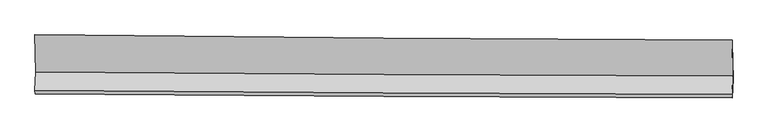
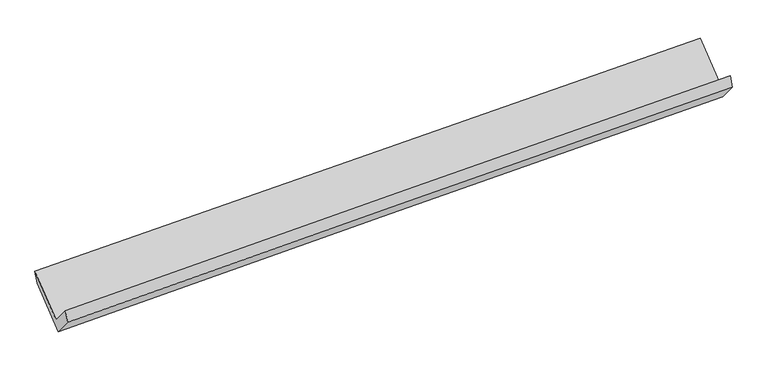
"""IFC4 building model written with IfcOpenShell, lengths in millimetres: proxy geometry."""

from ifc_helpers import new_model, si_unit, frame, origin, place, context, project, spatial, source, transform, mapped, element, save
from ifc_brep_helpers import plane_surface, spline_curve, spline_surface, advanced_brep


def generic_models_5d9fcdb4(model_context):
    return source(origin(), model_context, "Body", "AdvancedBrep", [
        advanced_brep(
        [(-4778.4171501, -1683.303464, 1662.0733476), (-4788.4928086, -1933.6303861, 1959.732823), (4764.8144622, -1989.1363287, 2229.8936807), (4774.8901207, -1738.8094067, 1932.2342053), (-4784.396272, -1982.143377, 1810.400525), (4768.9109988, -2037.6493196, 2080.5613827), (-4774.3163837, -1731.7113678, 1512.6160922), (4779.2498627, -1780.783133, 1775.1261792), (-4784.0983404, -1218.2445357, 1944.1024805), (4769.7595721, -1282.6262106, 2193.7470478), (-4788.190562, -1170.2851555, 2093.1828238), (4765.4083748, -1241.1010079, 2350.4781619)],
        [
            (0, 1),
            (1, 2, spline_curve(3, [(-4788.4928086, -1933.6303861, 1959.732823), (-3197.537521769, -1946.189332396, 2012.819501369), (-1606.456566212, -1957.092415667, 2061.864516858), (1577.97887103, -1975.598608392, 2151.928415191), (3171.333672865, -1983.197505828, 2192.937019025), (4764.8144622, -1989.1363287, 2229.8936807)], [4, 2, 4], [0.0, 15.668079194565818, 31.356070215631348])),
            (2, 3),
            (3, 0, spline_curve(3, [(4774.8901207, -1738.8094067, 1932.2342053), (3181.409331365, -1732.870583828, 1895.277543625), (1588.05452953, -1725.271686292, 1854.268939791), (-1596.380907712, -1706.765493567, 1764.205041458), (-3187.461863269, -1695.862410296, 1715.160025969), (-4778.4171501, -1683.303464, 1662.0733476)], [4, 2, 4], [0.0, 15.68799102106553, 31.356070215631348])),
            (1, 4),
            (4, 5, spline_curve(3, [(-4784.396272, -1982.143377, 1810.400525), (-3193.440985169, -1994.702323296, 1863.487203369), (-1602.360029612, -2005.605406567, 1912.532218858), (1582.07540763, -2024.111599292, 2002.596117191), (3175.430209465, -2031.710496728, 2043.604721025), (4768.9109988, -2037.6493196, 2080.5613827)], [4, 2, 4], [0.0, 15.668079194565822, 31.356070215631355])),
            (5, 2),
            (4, 6),
            (6, 7, spline_curve(3, [(-4774.3163837, -1731.7113678, 1512.6160922), (-3183.231636178, -1741.053906738, 1561.878194844), (-1592.064355697, -1749.812264209, 1608.372953498), (1592.457516404, -1766.171004768, 1695.883354222), (3185.812318127, -1773.76990237, 1736.89195775), (4779.2498627, -1780.783133, 1775.1261792)], [4, 2, 4], [0.0, 15.668062850634108, 31.356037506997193])),
            (7, 5),
            (6, 8),
            (8, 9, spline_curve(3, [(-4784.0983404, -1218.2445357, 1944.1024805), (-3192.867791069, -1235.240408974, 1986.933185017), (-1601.6032884, -1249.102069547, 2029.139437018), (1583.015929723, -1270.570599464, 2112.35588114), (3176.370731248, -1278.169497021, 2153.364484563), (4769.7595721, -1282.6262106, 2193.7470478)], [4, 2, 4], [0.0, 15.668072061286015, 31.356055940006392])),
            (9, 7),
            (8, 10),
            (10, 11, spline_curve(3, [(-4788.190562, -1170.2851555, 2093.1828238), (-3197.089472995, -1190.497436343, 2139.838103628), (-1605.91129532, -1206.503822905, 2184.594612808), (1578.621487355, -1230.119804187, 2270.364554879), (3171.976289094, -1237.71870156, 2311.373158215), (4765.4083748, -1241.1010079, 2350.4781619)], [4, 2, 4], [0.0, 15.668132735362907, 31.35617736526801])),
            (11, 9),
            (10, 0),
            (3, 11),
        ],
        [
            spline_surface(3, 3, [[(-4778.4171501, -1683.303464, 1662.0733476), (-3187.461863137, -1695.862410457, 1715.16002585), (-1596.380907742, -1706.765493791, 1764.205041385), (1588.05452956, -1725.271686067, 1854.268939864), (3181.409331131, -1732.870583664, 1895.277543563), (4774.8901207, -1738.8094067, 1932.2342053)], [(-4781.775702938, -1766.745771341, 1761.293172731), (-3190.820415976, -1779.304717798, 1814.37985098), (-1599.73946058, -1790.207801131, 1863.424866516), (1584.695976722, -1808.713993408, 1953.488764995), (3178.050778293, -1816.312891005, 1994.497368694), (4771.531567862, -1822.251714041, 2031.454030431)], [(-4785.134255762, -1850.188078759, 1860.512997869), (-3194.178968799, -1862.747025217, 1913.599676119), (-1603.098013404, -1873.65010855, 1962.644691654), (1581.337423898, -1892.156300827, 2052.708590133), (3174.692225469, -1899.755198324, 2093.717193833), (4768.173015038, -1905.694021359, 2130.673855569)], [(-4788.4928086, -1933.6303861, 1959.732823), (-3197.537521637, -1946.189332557, 2012.81950125), (-1606.456566242, -1957.092415891, 2061.864516785), (1577.97887106, -1975.598608167, 2151.928415264), (3171.333672631, -1983.197505664, 2192.937018963), (4764.8144622, -1989.1363287, 2229.8936807)]], [4, 4], [4, 2, 4], [0.0, 1.2764375252674067], [0.0, 15.668079194565818, 31.356070215631348]),
            spline_surface(3, 3, [[(-4788.4928086, -1933.6303861, 1959.732823), (-3197.537521637, -1946.189332557, 2012.81950125), (-1606.456566242, -1957.092415891, 2061.864516785), (1577.97887106, -1975.598608167, 2151.928415264), (3171.333672631, -1983.197505664, 2192.937018963), (4764.8144622, -1989.1363287, 2229.8936807)], [(-4787.127296392, -1949.801383071, 1909.955390341), (-3196.17200943, -1962.360329528, 1963.042068591), (-1605.091054034, -1973.263412861, 2012.087084126), (1579.344383268, -1991.769605138, 2102.150982605), (3172.699184838, -1999.368502635, 2143.159586305), (4766.179974408, -2005.307325671, 2180.116248041)], [(-4785.761784208, -1965.972380029, 1860.177957659), (-3194.806497245, -1978.531326487, 1913.264635909), (-1603.72554185, -1989.43440982, 1962.309651444), (1580.709895452, -2007.940602097, 2052.373549923), (3174.064697023, -2015.539499594, 2093.382153622), (4767.545486592, -2021.478322629, 2130.338815359)], [(-4784.396272, -1982.143377, 1810.400525), (-3193.440985037, -1994.702323457, 1863.48720325), (-1602.360029642, -2005.605406791, 1912.532218785), (1582.07540766, -2024.111599067, 2002.596117264), (3175.430209231, -2031.710496564, 2043.604720963), (4768.9109988, -2037.6493196, 2080.5613827)]], [4, 4], [4, 2, 4], [0.0, 0.5153156968743909], [0.0, 15.668079194565822, 31.356070215631355]),
            spline_surface(3, 3, [[(-4784.396272, -1982.143377, 1810.400525), (-3193.440985037, -1994.702323457, 1863.48720325), (-1602.360029642, -2005.605406791, 1912.532218785), (1582.07540766, -2024.111599067, 2002.596117264), (3175.430209231, -2031.710496564, 2043.604720963), (4768.9109988, -2037.6493196, 2080.5613827)], [(-4781.036309243, -1898.666040605, 1711.139047418), (-3190.03786881, -1910.152851148, 1762.950867129), (-1598.928138343, -1920.341025877, 1811.145797031), (1585.536110599, -1938.131401006, 1900.358529543), (3178.890912169, -1945.730298503, 1941.367133242), (4772.357286771, -1952.027257392, 1978.749648217)], [(-4777.676346457, -1815.188704195, 1611.877569782), (-3186.634752555, -1825.603378823, 1662.414530956), (-1595.496247056, -1835.076644986, 1709.759375325), (1588.996813525, -1852.151202967, 1798.120941869), (3182.351615096, -1859.750100464, 1839.129545469), (4775.803574729, -1866.405195208, 1876.937913683)], [(-4774.3163837, -1731.7113678, 1512.6160922), (-3183.231636327, -1741.053906513, 1561.878194835), (-1592.064355758, -1749.812264072, 1608.372953571), (1592.457516464, -1766.171004905, 1695.883354148), (3185.812318035, -1773.769902402, 1736.891957747), (4779.2498627, -1780.783133, 1775.1261792)]], [4, 4], [4, 2, 4], [0.0, 1.3097921959554315], [0.0, 15.668062850634108, 31.356037506997193]),
            spline_surface(3, 3, [[(-4774.3163837, -1731.7113678, 1512.6160922), (-3183.231636327, -1741.053906513, 1561.878194835), (-1592.064355758, -1749.812264072, 1608.372953571), (1592.457516464, -1766.171004905, 1695.883354148), (3185.812318035, -1773.769902402, 1736.891957747), (4779.2498627, -1780.783133, 1775.1261792)], [(-4777.577035926, -1560.555757115, 1656.444888292), (-3186.443687825, -1572.449407322, 1703.563191531), (-1595.24399991, -1582.908865956, 1748.628448081), (1589.310320842, -1600.970869714, 1834.707529784), (3182.665122413, -1608.569767211, 1875.716133383), (4776.08643251, -1614.730825541, 1914.666468733)], [(-4780.837688174, -1389.400146385, 1800.273684408), (-3189.655739344, -1403.844908086, 1845.248188251), (-1598.423644093, -1416.005467818, 1888.883942591), (1586.16312519, -1435.7707345, 1973.531705421), (3179.51792676, -1443.369631997, 2014.54030902), (4772.92300229, -1448.678518059, 2054.206758267)], [(-4784.0983404, -1218.2445357, 1944.1024805), (-3192.867790841, -1235.240408894, 1986.933184947), (-1601.603288245, -1249.102069702, 2029.139437101), (1583.015929568, -1270.570599309, 2112.355881057), (3176.370731139, -1278.169496806, 2153.364484656), (4769.7595721, -1282.6262106, 2193.7470478)]], [4, 4], [4, 2, 4], [0.0, 2.1350317289385514], [0.0, 15.668072061286015, 31.356055940006392]),
            spline_surface(3, 3, [[(-4784.0983404, -1218.2445357, 1944.1024805), (-3192.867790841, -1235.240408894, 1986.933184947), (-1601.603288245, -1249.102069702, 2029.139437101), (1583.015929568, -1270.570599309, 2112.355881057), (3176.370731139, -1278.169496806, 2153.364484656), (4769.7595721, -1282.6262106, 2193.7470478)], [(-4785.462414282, -1202.258075638, 1993.795928276), (-3194.275018194, -1220.326084747, 2037.901491261), (-1603.039290668, -1234.902654159, 2080.957829049), (1581.551115505, -1257.087000914, 2165.025438972), (3174.905917075, -1264.685898411, 2206.034042571), (4768.309173005, -1268.784476351, 2245.990752476)], [(-4786.826488118, -1186.271615562, 2043.489376024), (-3195.682245499, -1205.411760585, 2088.869797547), (-1604.475293006, -1220.703238563, 2132.776220967), (1580.086301527, -1243.603402466, 2217.694996858), (3173.441102998, -1251.202300063, 2258.703600557), (4766.858773895, -1254.942742149, 2298.234457224)], [(-4788.190562, -1170.2851555, 2093.1828238), (-3197.089472852, -1190.497436438, 2139.838103861), (-1605.911295429, -1206.503823021, 2184.594612915), (1578.621487464, -1230.119804071, 2270.364554773), (3171.976288935, -1237.718701668, 2311.373158472), (4765.4083748, -1241.1010079, 2350.4781619)]], [4, 4], [4, 2, 4], [0.0, 0.5321488974003359], [0.0, 15.668132735362907, 31.35617736526801]),
            spline_surface(3, 3, [[(-4788.190562, -1170.2851555, 2093.1828238), (-3197.089472852, -1190.497436438, 2139.838103861), (-1605.911295429, -1206.503823021, 2184.594612915), (1578.621487464, -1230.119804071, 2270.364554773), (3171.976288935, -1237.718701668, 2311.373158472), (4765.4083748, -1241.1010079, 2350.4781619)], [(-4784.932758019, -1341.29125833, 1949.479665042), (-3193.880269599, -1358.952427775, 1998.2787445), (-1602.734499522, -1373.257713282, 2044.46475574), (1581.765834841, -1395.170431408, 2131.666016471), (3175.120636311, -1402.769329005, 2172.674620171), (4768.568956745, -1407.003807505, 2211.063509701)], [(-4781.674954081, -1512.29736117, 1805.776506358), (-3190.67106639, -1527.40741912, 1856.719385211), (-1599.557703649, -1540.011603529, 1904.33489856), (1584.910182183, -1560.22105873, 1992.967478166), (3178.264983754, -1567.819956327, 2033.976081865), (4771.729538755, -1572.906607095, 2071.648857499)], [(-4778.4171501, -1683.303464, 1662.0733476), (-3187.461863137, -1695.862410457, 1715.16002585), (-1596.380907742, -1706.765493791, 1764.205041385), (1588.05452956, -1725.271686067, 1854.268939864), (3181.409331131, -1732.870583664, 1895.277543563), (4774.8901207, -1738.8094067, 1932.2342053)]], [4, 4], [4, 2, 4], [0.0, 2.1331094001593938], [0.0, 15.668095429061353, 31.356102705254074]),
            plane_surface(frame((4770.5055652, -1678.3509011, 2093.6734429), z_axis=(0.9995582241088787, -0.005501928299016434, 0.029207625738790717), x_axis=(-0.026826594174222444, 0.25601683602343134, 0.9663000121688725))),
            plane_surface(frame((-4782.9852528, -1619.886381, 1830.3513487), z_axis=(-0.9995582241088787, 0.005501928299012464, -0.029207625738785256), x_axis=(-0.014583305470670535, 0.7654954838493547, 0.6432759838574663))),
        ],
        [
            (0, [[1, 2, 3, 4]]),
            (1, [[5, 6, 7, -2]]),
            (2, [[8, 9, 10, -6]]),
            (3, [[11, 12, 13, -9]]),
            (4, [[14, 15, 16, -12]]),
            (5, [[17, -4, 18, -15]]),
            (6, [[-16, -18, -3, -7, -10, -13]]),
            (7, [[-17, -14, -11, -8, -5, -1]]),
        ],
    ),
    ])


if __name__ == "__main__":
    model = new_model("IFC4")
    model_context = context("Model", 3, world=origin())
    ifc_project = project(units=[si_unit("LENGTHUNIT", "METRE", prefix="MILLI")], contexts=[model_context])
    site = spatial("IfcSite", under=ifc_project)
    building = spatial("IfcBuilding", under=site)
    placement = place(None, origin())
    generic_models_shape = generic_models_5d9fcdb4(model_context)
    element("IfcBuildingElementProxy", 1, Name="Generic Models", at=placement, inside=building, context=model_context, shape_type="MappedRepresentation", body=[
        mapped(generic_models_shape, transform((0.0, 0.0, 0.0), x_axis=(1.0, 0.0, 0.0), y_axis=(0.0, 1.0, 0.0), z_axis=(0.0, 0.0, 1.0))),
    ])
    save(model, "model.ifc")
